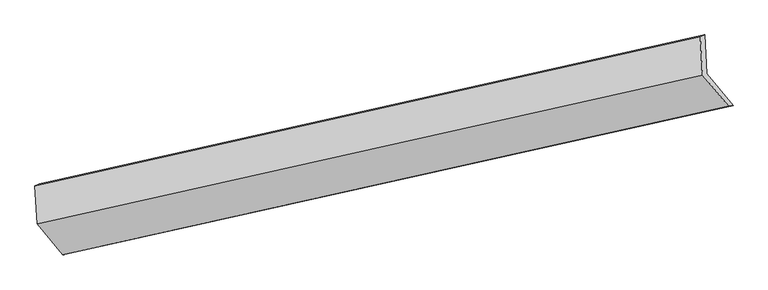
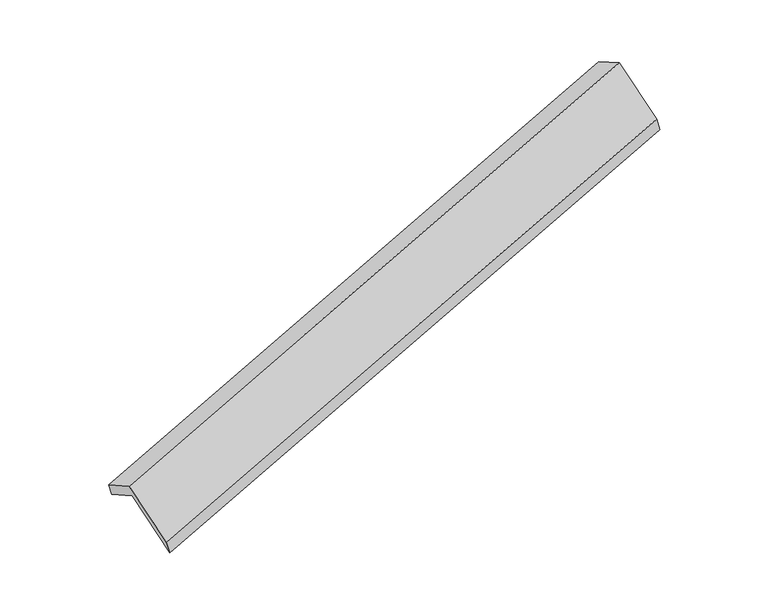
"""IFC4 building model written with IfcOpenShell, lengths in millimetres: proxy geometry."""

from ifc_helpers import new_model, si_unit, origin, place, context, project, spatial, faceted_brep, source, transform, mapped, element, save


def generic_models_ef8fc0a6(model_context):
    return source(origin(), model_context, "Body", "Brep", [
        faceted_brep([(-5693.9972038, -2482.6351914, 621.5955532), (-5931.0000011, -2197.3509983, 1173.4900179), (103.1483599, -845.7887426, 3042.0209847), (341.9332945, -1133.218124, 2485.9765617), (-5950.6512584, -1849.0174033, 984.9911687), (83.2493266, -493.0631295, 2851.1454185), (-5989.2943961, -1863.5125171, 1118.9969278), (44.6061889, -507.5582432, 2985.1511776), (-5969.8484475, -2208.2068582, 1305.5264145), (64.2999135, -856.6446025, 3174.0573813), (-5735.3037185, -2490.5322339, 759.3559087), (300.6267798, -1141.1151664, 2623.7369171)], [[[0, 1, 2, 3]], [[1, 4, 5, 2]], [[4, 6, 7, 5]], [[6, 8, 9, 7]], [[8, 10, 11, 9]], [[10, 0, 3, 11]], [[9, 11, 3, 2, 5, 7]], [[0, 10, 8, 6, 4, 1]]]),
    ])


if __name__ == "__main__":
    model = new_model("IFC4")
    model_context = context("Model", 3, world=origin())
    ifc_project = project(units=[si_unit("LENGTHUNIT", "METRE", prefix="MILLI")], contexts=[model_context])
    site = spatial("IfcSite", under=ifc_project)
    building = spatial("IfcBuilding", under=site)
    placement = place(None, origin())
    generic_models_shape = generic_models_ef8fc0a6(model_context)
    element("IfcBuildingElementProxy", 1, Name="Generic Models", at=placement, inside=building, context=model_context, shape_type="MappedRepresentation", body=[
        mapped(generic_models_shape, transform((0.0, 0.0, 0.0), x_axis=(1.0, 0.0, 0.0), y_axis=(0.0, 1.0, 0.0), z_axis=(0.0, 0.0, 1.0))),
    ])
    save(model, "model.ifc")
